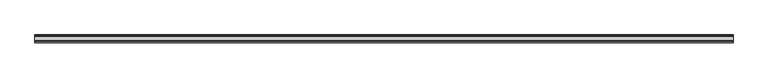
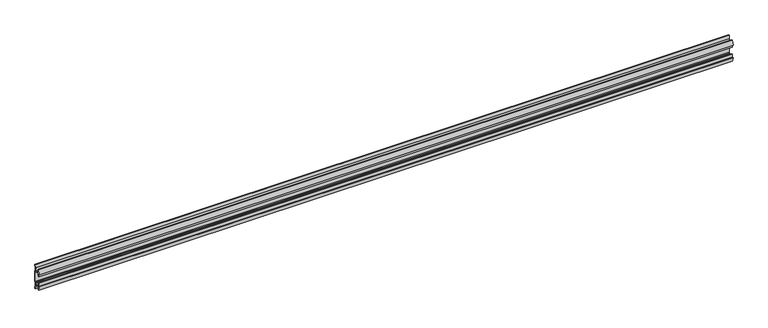
"""IFC4 building model written with IfcOpenShell, lengths in millimetres: furniture geometry."""

from ifc_helpers import new_model, si_unit, point, frame, frame_2d, origin, place, context, project, spatial, polyline, circle_curve, trimmed, segment, composite_curve, outline, extrude, source, transform, mapped, element, save


def furniture_fb93730e(model_context):
    return source(origin(), model_context, "Body", "SweptSolid", [
        extrude(outline(composite_curve([segment(polyline([(11.858323, 875.9865986), (10.7166987, 870.0271626)]), True, "CONTINUOUS"), segment(trimmed(circle_curve(frame_2d((88.1501042, 855.193568)), 78.8414093), [point((10.7166987, 870.0271626))], [point((9.4546262, 859.9883112))], True, "CARTESIAN"), True, "CONTINUOUS"), segment(polyline([(9.4546262, 859.9883112), (11.4773198, 857.9656177), (11.4773198, 825.0383823), (9.4546262, 823.0156888)]), True, "CONTINUOUS"), segment(trimmed(circle_curve(frame_2d((88.1501042, 827.810432)), 78.8414093), [point((9.4546262, 823.0156888))], [point((10.7166987, 812.9768374))], True, "CARTESIAN"), True, "CONTINUOUS"), segment(polyline([(10.7166987, 812.9768374), (11.858323, 807.0174014), (11.858323, 803.4026449), (9.3183016, 803.4026449), (7.5671861, 812.543709), (6.9977776, 819.2374675), (-5.9218281, 819.2374675), (-5.9218281, 808.6725449), (-8.4618484, 808.6725449), (-11.7914971, 822.1810462), (-8.4618484, 821.1821511), (-8.4618484, 830.7072306), (-5.9218281, 830.7072306), (-5.9218281, 821.817155), (6.7782802, 821.817155), (6.7782802, 824.371689), (8.8976323, 826.2140136), (8.8976323, 856.7930348), (6.7782802, 858.6474685), (-5.2868484, 858.6474685), (-5.2868484, 852.2974144), (-8.4618484, 852.2974144), (-8.4618484, 861.8224939), (-11.858323, 860.5524837), (-8.4618484, 874.3321), (-5.2868484, 874.3321), (-5.2868484, 861.1874899), (6.7782802, 861.1874899), (7.5671861, 870.4615809), (9.3183016, 879.6026449), (11.858323, 879.6026449), (11.858323, 875.9865986)]), True, "CONTINUOUS")], self_intersect=False)), frame((-1041.4, 0.0, 0.0), z_axis=(1.0, 0.0, 0.0), x_axis=(0.0, 1.0, 0.0)), (0.0, 0.0, 1.0), 2082.8),
    ])


if __name__ == "__main__":
    model = new_model("IFC4")
    model_context = context("Model", 3, world=origin())
    ifc_project = project(units=[si_unit("LENGTHUNIT", "METRE", prefix="MILLI")], contexts=[model_context])
    site = spatial("IfcSite", under=ifc_project)
    building = spatial("IfcBuilding", under=site)
    placement = place(None, origin())
    furniture_shape = furniture_fb93730e(model_context)
    element("IfcFurniture", 1, at=placement, inside=building, context=model_context, shape_type="MappedRepresentation", body=[
        mapped(furniture_shape, transform((0.0, 0.0, 0.0), x_axis=(1.0, 0.0, 0.0), y_axis=(0.0, 1.0, 0.0), z_axis=(0.0, 0.0, 1.0))),
    ])
    save(model, "model.ifc")
